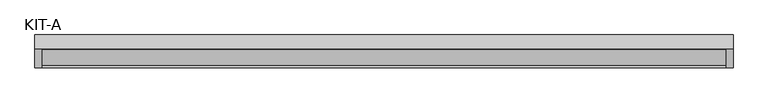
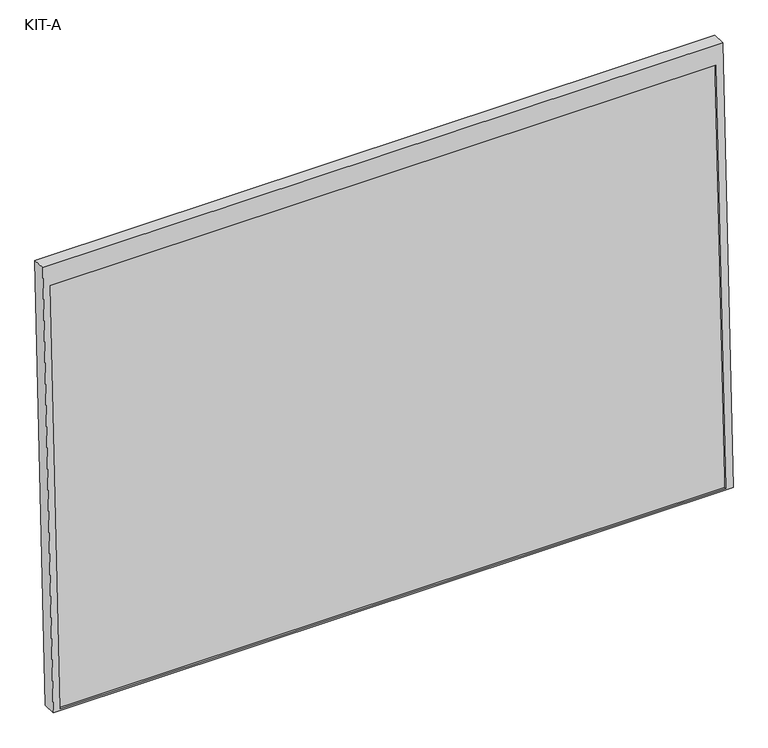
"""IFC4 building model written with IfcOpenShell, lengths in millimetres: plate geometry, KIT-A."""

from ifc_helpers import new_model, si_unit, frame, origin, place, context, project, spatial, polyline, outline, extrude, source, transform, mapped, element, save


def kit_a_aeec823f(model_context):
    return source(origin(), model_context, "Body", "SweptSolid", [
        extrude(outline(polyline([(0.0, 0.0), (0.0, -1766.0), (-1195.0, -1766.0), (-1195.0, 0.0), (0.0, 0.0)]), holes=[polyline([(-55.0, -18.5), (-1191.0441175, -18.5), (-1191.0441175, -1747.5), (-55.0, -1747.5), (-55.0, -18.5)])]), frame((-883.0, 9.1550345, 1115.0528455), z_axis=(0.0, -0.9992101801000246, 0.039736834102334216), x_axis=(0.0, 0.039736834102334216, 0.9992101801000246)), (0.0, 0.0, 1.0), 35.0),
        extrude(outline(polyline([(0.0, -1729.0), (0.0, 0.0), (27.4505712, 0.0), (27.4505712, -1729.0), (0.0, -1729.0)])), frame((-864.5, -68.1495934, -73.8584567), z_axis=(0.0, 0.03973683410233643, 0.9992101801000245), x_axis=(0.0, 0.9992101801000245, -0.03973683410233643)), (0.0, 0.0, 1.0), 1136.0441176),
    ])


if __name__ == "__main__":
    model = new_model("IFC4")
    model_context = context("Model", 3, world=origin())
    ifc_project = project(units=[si_unit("LENGTHUNIT", "METRE", prefix="MILLI")], contexts=[model_context])
    site = spatial("IfcSite", under=ifc_project)
    building = spatial("IfcBuilding", under=site)
    placement = place(None, origin())
    kit_a_shape = kit_a_aeec823f(model_context)
    element("IfcPlate", 1, ObjectType="KIT-A", at=placement, inside=building, context=model_context, shape_type="MappedRepresentation", body=[
        mapped(kit_a_shape, transform((0.0, 0.0, 0.0), x_axis=(1.0, 0.0, 0.0), y_axis=(0.0, 1.0, 0.0), z_axis=(0.0, 0.0, 1.0))),
    ])
    save(model, "model.ifc")
